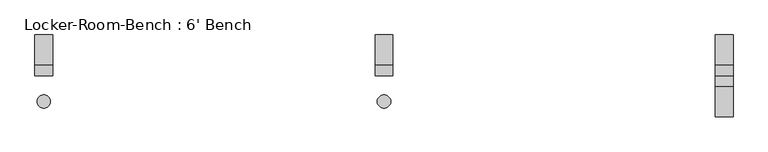
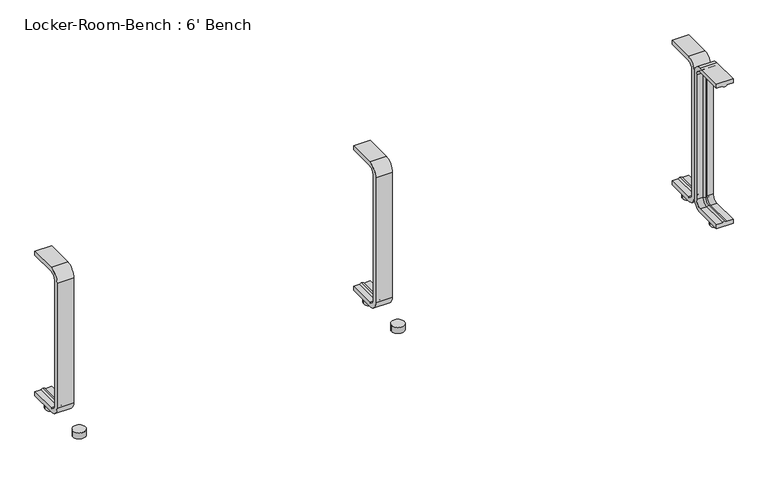
"""IFC4 building model written with IfcOpenShell, lengths in millimetres: furniture geometry, Locker-Room-Bench : 6' Bench."""

from ifc_helpers import new_model, si_unit, point, frame, frame_2d, origin, origin_with_axes, place, context, project, spatial, polyline, circle_curve, ellipse_curve, trimmed, segment, composite_curve, outline, extrude, source, transform, mapped, element, save
from ifc_brep_helpers import plane_surface, cylinder_surface, revolved_surface, advanced_brep


def locker_room_bench_6_bench_b71814ff(model_context):
    return source(origin(), model_context, "Body", "SolidModel", [
        extrude(outline(composite_curve([segment(trimmed(circle_curve(frame_2d((764.4, -57.5)), 15.0), [point((749.4, -57.5))], [point((779.4, -57.5))], False, "CARTESIAN"), True, "CONTINUOUS"), segment(trimmed(circle_curve(frame_2d((764.4, -57.5)), 15.0), [point((779.4, -57.5))], [point((749.4, -57.5))], False, "CARTESIAN"), True, "CONTINUOUS")], self_intersect=False)), origin_with_axes(), (0.0, 0.0, 1.0), 15.0),
        extrude(outline(composite_curve([segment(trimmed(circle_curve(frame_2d((764.4, 57.5)), 15.0), [point((749.4, 57.5))], [point((779.4, 57.5))], False, "CARTESIAN"), True, "CONTINUOUS"), segment(trimmed(circle_curve(frame_2d((764.4, 57.5)), 15.0), [point((779.4, 57.5))], [point((749.4, 57.5))], False, "CARTESIAN"), True, "CONTINUOUS")], self_intersect=False)), origin_with_axes(), (0.0, 0.0, 1.0), 15.0),
        extrude(outline(composite_curve([segment(trimmed(circle_curve(frame_2d((0.0, -57.5)), 15.0), [point((-15.0, -57.5))], [point((15.0, -57.5))], False, "CARTESIAN"), True, "CONTINUOUS"), segment(trimmed(circle_curve(frame_2d((0.0, -57.5)), 15.0), [point((15.0, -57.5))], [point((-15.0, -57.5))], False, "CARTESIAN"), True, "CONTINUOUS")], self_intersect=False)), origin_with_axes(), (0.0, 0.0, 1.0), 15.0),
        extrude(outline(composite_curve([segment(trimmed(circle_curve(frame_2d((0.0, 57.5)), 15.0), [point((-15.0, 57.5))], [point((15.0, 57.5))], False, "CARTESIAN"), True, "CONTINUOUS"), segment(trimmed(circle_curve(frame_2d((0.0, 57.5)), 15.0), [point((15.0, 57.5))], [point((-15.0, 57.5))], False, "CARTESIAN"), True, "CONTINUOUS")], self_intersect=False)), origin_with_axes(), (0.0, 0.0, 1.0), 15.0),
        extrude(outline(composite_curve([segment(trimmed(circle_curve(frame_2d((-764.4, -57.5)), 15.0), [point((-779.4, -57.5))], [point((-749.4, -57.5))], False, "CARTESIAN"), True, "CONTINUOUS"), segment(trimmed(circle_curve(frame_2d((-764.4, -57.5)), 15.0), [point((-749.4, -57.5))], [point((-779.4, -57.5))], False, "CARTESIAN"), True, "CONTINUOUS")], self_intersect=False)), origin_with_axes(), (0.0, 0.0, 1.0), 15.0),
        extrude(outline(composite_curve([segment(trimmed(circle_curve(frame_2d((-764.4, 57.5)), 15.0), [point((-779.4, 57.5))], [point((-749.4, 57.5))], False, "CARTESIAN"), True, "CONTINUOUS"), segment(trimmed(circle_curve(frame_2d((-764.4, 57.5)), 15.0), [point((-749.4, 57.5))], [point((-779.4, 57.5))], False, "CARTESIAN"), True, "CONTINUOUS")], self_intersect=False)), origin_with_axes(), (0.0, 0.0, 1.0), 15.0),
        advanced_brep(
        [(784.4, 92.0, 381.4), (784.4, 92.0, 371.4), (769.4, 92.0, 371.4), (764.4, 92.0, 369.0684617), (759.4, 92.0, 371.4), (744.4, 92.0, 371.4), (744.4, 92.0, 381.4), (784.4, 25.0, 381.4), (784.4, 0.0, 356.4), (784.4, 0.0, 40.0), (784.4, 25.0, 15.0), (784.4, 92.0, 15.0), (784.4, 92.0, 25.0), (784.4, 25.0, 25.0), (784.4, 10.0, 40.0), (784.4, 10.0, 356.4), (784.4, 25.0, 371.4), (769.4, 25.0, 371.4), (764.4, 25.0, 369.0684617), (759.4, 25.0, 371.4), (744.4, 25.0, 371.4), (744.4, 10.0, 356.4), (744.4, 10.0, 40.0), (744.4, 25.0, 25.0), (744.4, 92.0, 25.0), (744.4, 92.0, 15.0), (744.4, 25.0, 15.0), (744.4, 0.0, 40.0), (744.4, 0.0, 356.4), (744.4, 25.0, 381.4), (769.4, 10.0, 356.4), (764.4, 12.3315383, 356.4), (759.4, 10.0, 356.4), (769.4, 10.0, 40.0), (764.4, 12.3315383, 40.0), (759.4, 10.0, 40.0), (769.4, 25.0, 25.0), (764.4, 25.0, 27.3315383), (759.4, 25.0, 25.0), (759.4, 92.0, 25.0), (764.4, 92.0, 27.3315383), (769.4, 92.0, 25.0)],
        [
            (0, 1),
            (1, 2),
            (2, 3, circle_curve(frame((764.6996409, 92.0, 374.9529162), z_axis=(0.0, 1.0, 0.0), x_axis=(0.0, 0.0, -1.0)), 5.8920785)),
            (3, 4, circle_curve(frame((764.1003591, 92.0, 374.9529162), z_axis=(0.0, 1.0, 0.0), x_axis=(0.0, 0.0, -1.0)), 5.8920785)),
            (4, 5),
            (5, 6),
            (6, 0),
            (0, 7),
            (7, 8, circle_curve(frame((784.4, 25.0, 356.4), z_axis=(1.0, 0.0, 0.0), x_axis=(0.0, 0.0, 1.0)), 25.0)),
            (8, 9),
            (9, 10, circle_curve(frame((784.4, 25.0, 40.0), z_axis=(1.0, 0.0, 0.0), x_axis=(0.0, -1.0, 0.0)), 25.0)),
            (10, 11),
            (11, 12),
            (12, 13),
            (13, 14, circle_curve(frame((784.4, 25.0, 40.0), z_axis=(-1.0, 0.0, 0.0), x_axis=(0.0, -1.0, 0.0)), 15.0)),
            (14, 15),
            (15, 16, circle_curve(frame((784.4, 25.0, 356.4), z_axis=(-1.0, 0.0, 0.0), x_axis=(0.0, 0.0, 1.0)), 15.0)),
            (16, 1),
            (16, 17),
            (17, 2),
            (17, 18, circle_curve(frame((764.6996409, 25.0, 374.9529162), z_axis=(0.0, 1.0, 0.0), x_axis=(0.0, 0.0, -1.0)), 5.8920785)),
            (18, 3),
            (18, 19, circle_curve(frame((764.1003591, 25.0, 374.9529162), z_axis=(0.0, 1.0, 0.0), x_axis=(0.0, 0.0, -1.0)), 5.8920785)),
            (19, 4),
            (19, 20),
            (20, 5),
            (20, 21, circle_curve(frame((744.4, 25.0, 356.4), z_axis=(1.0, 0.0, 0.0), x_axis=(0.0, 0.0, 1.0)), 15.0)),
            (21, 22),
            (22, 23, circle_curve(frame((744.4, 25.0, 40.0), z_axis=(1.0, 0.0, 0.0), x_axis=(0.0, -1.0, 0.0)), 15.0)),
            (23, 24),
            (24, 25),
            (25, 26),
            (26, 27, circle_curve(frame((744.4, 25.0, 40.0), z_axis=(-1.0, 0.0, 0.0), x_axis=(0.0, -1.0, 0.0)), 25.0)),
            (27, 28),
            (28, 29, circle_curve(frame((744.4, 25.0, 356.4), z_axis=(-1.0, 0.0, 0.0), x_axis=(0.0, 0.0, 1.0)), 25.0)),
            (29, 6),
            (29, 7),
            (30, 17, circle_curve(frame((769.4, 25.0, 356.4), z_axis=(-1.0, 0.0, 0.0), x_axis=(0.0, 0.0, 1.0)), 15.0)),
            (15, 30),
            (31, 18, circle_curve(frame((764.4, 25.0, 356.4), z_axis=(-1.0, 0.0, 0.0), x_axis=(0.0, 0.0, 1.0)), 12.6684617)),
            (30, 31, circle_curve(frame((764.6996409, 6.4470838, 356.4), z_axis=(0.0, 0.0, 1.0), x_axis=(0.0, 1.0, 0.0)), 5.8920785)),
            (32, 19, circle_curve(frame((759.4, 25.0, 356.4), z_axis=(-1.0, 0.0, 0.0), x_axis=(0.0, 0.0, 1.0)), 15.0)),
            (31, 32, circle_curve(frame((764.1003591, 6.4470838, 356.4), z_axis=(0.0, 0.0, 1.0), x_axis=(0.0, 1.0, 0.0)), 5.8920785)),
            (32, 21),
            (28, 8),
            (14, 33),
            (33, 30),
            (33, 34, circle_curve(frame((764.6996409, 6.4470838, 40.0), z_axis=(0.0, 0.0, 1.0), x_axis=(0.0, 1.0, 0.0)), 5.8920785)),
            (34, 31),
            (34, 35, circle_curve(frame((764.1003591, 6.4470838, 40.0), z_axis=(0.0, 0.0, 1.0), x_axis=(0.0, 1.0, 0.0)), 5.8920785)),
            (35, 32),
            (35, 22),
            (27, 9),
            (36, 33, circle_curve(frame((769.4, 25.0, 40.0), z_axis=(-1.0, 0.0, 0.0), x_axis=(0.0, -1.0, 0.0)), 15.0)),
            (13, 36),
            (37, 34, circle_curve(frame((764.4, 25.0, 40.0), z_axis=(-1.0, 0.0, 0.0), x_axis=(0.0, -1.0, 0.0)), 12.6684617)),
            (36, 37, circle_curve(frame((764.6996409, 25.0, 21.4470838), z_axis=(0.0, -1.0, 0.0), x_axis=(0.0, 0.0, 1.0)), 5.8920785)),
            (38, 35, circle_curve(frame((759.4, 25.0, 40.0), z_axis=(-1.0, 0.0, 0.0), x_axis=(0.0, -1.0, 0.0)), 15.0)),
            (37, 38, circle_curve(frame((764.1003591, 25.0, 21.4470838), z_axis=(0.0, -1.0, 0.0), x_axis=(0.0, 0.0, 1.0)), 5.8920785)),
            (38, 23),
            (26, 10),
            (11, 25),
            (24, 39),
            (39, 40, circle_curve(frame((764.1003591, 92.0, 21.4470838), z_axis=(0.0, 1.0, 0.0), x_axis=(0.0, 0.0, 1.0)), 5.8920785)),
            (40, 41, circle_curve(frame((764.6996409, 92.0, 21.4470838), z_axis=(0.0, 1.0, 0.0), x_axis=(0.0, 0.0, 1.0)), 5.8920785)),
            (41, 12),
            (41, 36),
            (40, 37),
            (39, 38),
        ],
        [
            plane_surface(frame((764.4, 92.0, 381.4), z_axis=(0.0, 1.0, 0.0), x_axis=(1.0, 0.0, 0.0))),
            plane_surface(frame((784.4, 92.0, 381.4), z_axis=(1.0, 0.0, 0.0), x_axis=(0.0, -1.0, 0.0))),
            plane_surface(frame((784.4, 92.0, 371.4), z_axis=(0.0, 0.0, -1.0), x_axis=(0.0, -1.0, 0.0))),
            cylinder_surface(frame((764.6996409, 92.0, 374.9529162), z_axis=(0.0, 1.0, 0.0), x_axis=(0.0, 0.0, -1.0)), 5.8920785),
            cylinder_surface(frame((764.1003591, 92.0, 374.9529162), z_axis=(0.0, 1.0, 0.0), x_axis=(0.0, 0.0, -1.0)), 5.8920785),
            plane_surface(frame((759.4, 92.0, 371.4), z_axis=(0.0, 0.0, -1.0), x_axis=(0.0, -1.0, 0.0))),
            plane_surface(frame((744.4, 92.0, 371.4), z_axis=(-1.0, 0.0, 0.0), x_axis=(0.0, -1.0, 0.0))),
            plane_surface(frame((744.4, 92.0, 381.4), z_axis=(0.0, 0.0, 1.0), x_axis=(0.0, -1.0, 0.0))),
            revolved_surface(polyline([(784.4, 25.0, 371.4), (769.4, 25.0, 371.4)]), (764.4, 25.0, 356.4), (1.0, 0.0, 0.0)),
            revolved_surface(trimmed(ellipse_curve(frame((764.6996409, 25.0, 374.9529162), z_axis=(0.0, 1.0, 0.0), x_axis=(0.0, 0.0, -1.0)), 5.8920785, 5.8920785), [point((769.4, 25.0, 371.4))], [point((764.4, 25.0, 369.0684617))], True, "CARTESIAN"), (764.4, 25.0, 356.4), (1.0, 0.0, 0.0)),
            revolved_surface(trimmed(ellipse_curve(frame((764.1003591, 25.0, 374.9529162), z_axis=(0.0, 1.0, 0.0), x_axis=(0.0, 0.0, -1.0)), 5.8920785, 5.8920785), [point((764.4, 25.0, 369.0684617))], [point((759.4, 25.0, 371.4))], True, "CARTESIAN"), (764.4, 25.0, 356.4), (1.0, 0.0, 0.0)),
            revolved_surface(polyline([(759.4, 25.0, 371.4), (744.4, 25.0, 371.4)]), (764.4, 25.0, 356.4), (1.0, 0.0, 0.0)),
            cylinder_surface(frame((764.4, 25.0, 356.4), z_axis=(1.0, 0.0, 0.0), x_axis=(0.0, 0.0, 1.0)), 25.0),
            plane_surface(frame((784.4, 10.0, 356.4), z_axis=(0.0, 1.0, 0.0), x_axis=(0.0, 0.0, -1.0))),
            cylinder_surface(frame((764.6996409, 6.4470838, 356.4), z_axis=(0.0, 0.0, 1.0), x_axis=(0.0, 1.0, 0.0)), 5.8920785),
            cylinder_surface(frame((764.1003591, 6.4470838, 356.4), z_axis=(0.0, 0.0, 1.0), x_axis=(0.0, 1.0, 0.0)), 5.8920785),
            plane_surface(frame((759.4, 10.0, 356.4), z_axis=(0.0, 1.0, 0.0), x_axis=(0.0, 0.0, -1.0))),
            plane_surface(frame((744.4, 0.0, 356.4), z_axis=(0.0, -1.0, 0.0), x_axis=(0.0, 0.0, -1.0))),
            revolved_surface(polyline([(784.4, 10.0, 40.0), (769.4, 10.0, 40.0)]), (764.4, 25.0, 40.0), (1.0, 0.0, 0.0)),
            revolved_surface(trimmed(ellipse_curve(frame((764.6996409, 6.4470838, 40.0), z_axis=(0.0, 0.0, 1.0), x_axis=(0.0, 1.0, 0.0)), 5.8920785, 5.8920785), [point((769.4, 10.0, 40.0))], [point((764.4, 12.3315383, 40.0))], True, "CARTESIAN"), (764.4, 25.0, 40.0), (1.0, 0.0, 0.0)),
            revolved_surface(trimmed(ellipse_curve(frame((764.1003591, 6.4470838, 40.0), z_axis=(0.0, 0.0, 1.0), x_axis=(0.0, 1.0, 0.0)), 5.8920785, 5.8920785), [point((764.4, 12.3315383, 40.0))], [point((759.4, 10.0, 40.0))], True, "CARTESIAN"), (764.4, 25.0, 40.0), (1.0, 0.0, 0.0)),
            revolved_surface(polyline([(759.4, 10.0, 40.0), (744.4, 10.0, 40.0)]), (764.4, 25.0, 40.0), (1.0, 0.0, 0.0)),
            cylinder_surface(frame((764.4, 25.0, 40.0), z_axis=(1.0, 0.0, 0.0), x_axis=(0.0, -1.0, 0.0)), 25.0),
            plane_surface(frame((764.4, 92.0, 15.0), z_axis=(0.0, 1.0, 0.0), x_axis=(1.0, 0.0, 0.0))),
            plane_surface(frame((784.4, 25.0, 25.0), z_axis=(0.0, 0.0, 1.0), x_axis=(0.0, 1.0, 0.0))),
            cylinder_surface(frame((764.6996409, 25.0, 21.4470838), z_axis=(0.0, -1.0, 0.0), x_axis=(0.0, 0.0, 1.0)), 5.8920785),
            cylinder_surface(frame((764.1003591, 25.0, 21.4470838), z_axis=(0.0, -1.0, 0.0), x_axis=(0.0, 0.0, 1.0)), 5.8920785),
            plane_surface(frame((759.4, 25.0, 25.0), z_axis=(0.0, 0.0, 1.0), x_axis=(0.0, 1.0, 0.0))),
            plane_surface(frame((744.4, 25.0, 15.0), z_axis=(0.0, 0.0, -1.0), x_axis=(0.0, 1.0, 0.0))),
        ],
        [
            (0, [[1, 2, 3, 4, 5, 6, 7]]),
            (1, [[-1, 8, 9, 10, 11, 12, 13, 14, 15, 16, 17, 18]]),
            (2, [[-2, -18, 19, 20]]),
            (3, [[-3, -20, 21, 22]]),
            (4, [[-4, -22, 23, 24]]),
            (5, [[-5, -24, 25, 26]]),
            (6, [[-6, -26, 27, 28, 29, 30, 31, 32, 33, 34, 35, 36]]),
            (7, [[-7, -36, 37, -8]]),
            (8, [[38, -19, -17, 39]]),
            (9, [[40, -21, -38, 41]]),
            (10, [[42, -23, -40, 43]]),
            (11, [[-27, -25, -42, 44]]),
            (12, [[-9, -37, -35, 45]]),
            (13, [[-39, -16, 46, 47]]),
            (14, [[-41, -47, 48, 49]]),
            (15, [[-43, -49, 50, 51]]),
            (16, [[-44, -51, 52, -28]]),
            (17, [[-45, -34, 53, -10]]),
            (18, [[54, -46, -15, 55]]),
            (19, [[56, -48, -54, 57]]),
            (20, [[58, -50, -56, 59]]),
            (21, [[-29, -52, -58, 60]]),
            (22, [[-11, -53, -33, 61]]),
            (23, [[62, -31, 63, 64, 65, 66, -13]]),
            (24, [[-55, -14, -66, 67]]),
            (25, [[-57, -67, -65, 68]]),
            (26, [[-59, -68, -64, 69]]),
            (27, [[-60, -69, -63, -30]]),
            (28, [[-61, -32, -62, -12]]),
        ],
    ),
        advanced_brep(
        [(20.0, 92.0, 381.4), (20.0, 92.0, 371.4), (5.0, 92.0, 371.4), (0.0, 92.0, 369.0684617), (-5.0, 92.0, 371.4), (-20.0, 92.0, 371.4), (-20.0, 92.0, 381.4), (20.0, 25.0, 381.4), (20.0, 0.0, 356.4), (20.0, 0.0, 40.0), (20.0, 25.0, 15.0), (20.0, 92.0, 15.0), (20.0, 92.0, 25.0), (20.0, 25.0, 25.0), (20.0, 10.0, 40.0), (20.0, 10.0, 356.4), (20.0, 25.0, 371.4), (5.0, 25.0, 371.4), (0.0, 25.0, 369.0684617), (-5.0, 25.0, 371.4), (-20.0, 25.0, 371.4), (-20.0, 10.0, 356.4), (-20.0, 10.0, 40.0), (-20.0, 25.0, 25.0), (-20.0, 92.0, 25.0), (-20.0, 92.0, 15.0), (-20.0, 25.0, 15.0), (-20.0, 0.0, 40.0), (-20.0, 0.0, 356.4), (-20.0, 25.0, 381.4), (5.0, 10.0, 356.4), (0.0, 12.3315383, 356.4), (-5.0, 10.0, 356.4), (5.0, 10.0, 40.0), (0.0, 12.3315383, 40.0), (-5.0, 10.0, 40.0), (5.0, 25.0, 25.0), (0.0, 25.0, 27.3315383), (-5.0, 25.0, 25.0), (-5.0, 92.0, 25.0), (0.0, 92.0, 27.3315383), (5.0, 92.0, 25.0)],
        [
            (0, 1),
            (1, 2),
            (2, 3, circle_curve(frame((0.2996409, 92.0, 374.9529162), z_axis=(0.0, 1.0, 0.0), x_axis=(0.0, 0.0, -1.0)), 5.8920785)),
            (3, 4, circle_curve(frame((-0.2996409, 92.0, 374.9529162), z_axis=(0.0, 1.0, 0.0), x_axis=(0.0, 0.0, -1.0)), 5.8920785)),
            (4, 5),
            (5, 6),
            (6, 0),
            (0, 7),
            (7, 8, circle_curve(frame((20.0, 25.0, 356.4), z_axis=(1.0, 0.0, 0.0), x_axis=(0.0, 0.0, 1.0)), 25.0)),
            (8, 9),
            (9, 10, circle_curve(frame((20.0, 25.0, 40.0), z_axis=(1.0, 0.0, 0.0), x_axis=(0.0, -1.0, 0.0)), 25.0)),
            (10, 11),
            (11, 12),
            (12, 13),
            (13, 14, circle_curve(frame((20.0, 25.0, 40.0), z_axis=(-1.0, 0.0, 0.0), x_axis=(0.0, -1.0, 0.0)), 15.0)),
            (14, 15),
            (15, 16, circle_curve(frame((20.0, 25.0, 356.4), z_axis=(-1.0, 0.0, 0.0), x_axis=(0.0, 0.0, 1.0)), 15.0)),
            (16, 1),
            (16, 17),
            (17, 2),
            (17, 18, circle_curve(frame((0.2996409, 25.0, 374.9529162), z_axis=(0.0, 1.0, 0.0), x_axis=(0.0, 0.0, -1.0)), 5.8920785)),
            (18, 3),
            (18, 19, circle_curve(frame((-0.2996409, 25.0, 374.9529162), z_axis=(0.0, 1.0, 0.0), x_axis=(0.0, 0.0, -1.0)), 5.8920785)),
            (19, 4),
            (19, 20),
            (20, 5),
            (20, 21, circle_curve(frame((-20.0, 25.0, 356.4), z_axis=(1.0, 0.0, 0.0), x_axis=(0.0, 0.0, 1.0)), 15.0)),
            (21, 22),
            (22, 23, circle_curve(frame((-20.0, 25.0, 40.0), z_axis=(1.0, 0.0, 0.0), x_axis=(0.0, -1.0, 0.0)), 15.0)),
            (23, 24),
            (24, 25),
            (25, 26),
            (26, 27, circle_curve(frame((-20.0, 25.0, 40.0), z_axis=(-1.0, 0.0, 0.0), x_axis=(0.0, -1.0, 0.0)), 25.0)),
            (27, 28),
            (28, 29, circle_curve(frame((-20.0, 25.0, 356.4), z_axis=(-1.0, 0.0, 0.0), x_axis=(0.0, 0.0, 1.0)), 25.0)),
            (29, 6),
            (29, 7),
            (30, 17, circle_curve(frame((5.0, 25.0, 356.4), z_axis=(-1.0, 0.0, 0.0), x_axis=(0.0, 0.0, 1.0)), 15.0)),
            (15, 30),
            (31, 18, circle_curve(frame((0.0, 25.0, 356.4), z_axis=(-1.0, 0.0, 0.0), x_axis=(0.0, 0.0, 1.0)), 12.6684617)),
            (30, 31, circle_curve(frame((0.2996409, 6.4470838, 356.4), z_axis=(0.0, 0.0, 1.0), x_axis=(0.0, 1.0, 0.0)), 5.8920785)),
            (32, 19, circle_curve(frame((-5.0, 25.0, 356.4), z_axis=(-1.0, 0.0, 0.0), x_axis=(0.0, 0.0, 1.0)), 15.0)),
            (31, 32, circle_curve(frame((-0.2996409, 6.4470838, 356.4), z_axis=(0.0, 0.0, 1.0), x_axis=(0.0, 1.0, 0.0)), 5.8920785)),
            (32, 21),
            (28, 8),
            (14, 33),
            (33, 30),
            (33, 34, circle_curve(frame((0.2996409, 6.4470838, 40.0), z_axis=(0.0, 0.0, 1.0), x_axis=(0.0, 1.0, 0.0)), 5.8920785)),
            (34, 31),
            (34, 35, circle_curve(frame((-0.2996409, 6.4470838, 40.0), z_axis=(0.0, 0.0, 1.0), x_axis=(0.0, 1.0, 0.0)), 5.8920785)),
            (35, 32),
            (35, 22),
            (27, 9),
            (36, 33, circle_curve(frame((5.0, 25.0, 40.0), z_axis=(-1.0, 0.0, 0.0), x_axis=(0.0, -1.0, 0.0)), 15.0)),
            (13, 36),
            (37, 34, circle_curve(frame((0.0, 25.0, 40.0), z_axis=(-1.0, 0.0, 0.0), x_axis=(0.0, -1.0, 0.0)), 12.6684617)),
            (36, 37, circle_curve(frame((0.2996409, 25.0, 21.4470838), z_axis=(0.0, -1.0, 0.0), x_axis=(0.0, 0.0, 1.0)), 5.8920785)),
            (38, 35, circle_curve(frame((-5.0, 25.0, 40.0), z_axis=(-1.0, 0.0, 0.0), x_axis=(0.0, -1.0, 0.0)), 15.0)),
            (37, 38, circle_curve(frame((-0.2996409, 25.0, 21.4470838), z_axis=(0.0, -1.0, 0.0), x_axis=(0.0, 0.0, 1.0)), 5.8920785)),
            (38, 23),
            (26, 10),
            (11, 25),
            (24, 39),
            (39, 40, circle_curve(frame((-0.2996409, 92.0, 21.4470838), z_axis=(0.0, 1.0, 0.0), x_axis=(0.0, 0.0, 1.0)), 5.8920785)),
            (40, 41, circle_curve(frame((0.2996409, 92.0, 21.4470838), z_axis=(0.0, 1.0, 0.0), x_axis=(0.0, 0.0, 1.0)), 5.8920785)),
            (41, 12),
            (41, 36),
            (40, 37),
            (39, 38),
        ],
        [
            plane_surface(frame((0.0, 92.0, 381.4), z_axis=(0.0, 1.0, 0.0), x_axis=(1.0, 0.0, 0.0))),
            plane_surface(frame((20.0, 92.0, 381.4), z_axis=(1.0, 0.0, 0.0), x_axis=(0.0, -1.0, 0.0))),
            plane_surface(frame((20.0, 92.0, 371.4), z_axis=(0.0, 0.0, -1.0), x_axis=(0.0, -1.0, 0.0))),
            cylinder_surface(frame((0.2996409, 92.0, 374.9529162), z_axis=(0.0, 1.0, 0.0), x_axis=(0.0, 0.0, -1.0)), 5.8920785),
            cylinder_surface(frame((-0.2996409, 92.0, 374.9529162), z_axis=(0.0, 1.0, 0.0), x_axis=(0.0, 0.0, -1.0)), 5.8920785),
            plane_surface(frame((-5.0, 92.0, 371.4), z_axis=(0.0, 0.0, -1.0), x_axis=(0.0, -1.0, 0.0))),
            plane_surface(frame((-20.0, 92.0, 371.4), z_axis=(-1.0, 0.0, 0.0), x_axis=(0.0, -1.0, 0.0))),
            plane_surface(frame((-20.0, 92.0, 381.4), z_axis=(0.0, 0.0, 1.0), x_axis=(0.0, -1.0, 0.0))),
            revolved_surface(polyline([(20.0, 25.0, 371.4), (5.0, 25.0, 371.4)]), (0.0, 25.0, 356.4), (1.0, 0.0, 0.0)),
            revolved_surface(trimmed(ellipse_curve(frame((0.2996409, 25.0, 374.9529162), z_axis=(0.0, 1.0, 0.0), x_axis=(0.0, 0.0, -1.0)), 5.8920785, 5.8920785), [point((5.0, 25.0, 371.4))], [point((0.0, 25.0, 369.0684617))], True, "CARTESIAN"), (0.0, 25.0, 356.4), (1.0, 0.0, 0.0)),
            revolved_surface(trimmed(ellipse_curve(frame((-0.2996409, 25.0, 374.9529162), z_axis=(0.0, 1.0, 0.0), x_axis=(0.0, 0.0, -1.0)), 5.8920785, 5.8920785), [point((0.0, 25.0, 369.0684617))], [point((-5.0, 25.0, 371.4))], True, "CARTESIAN"), (0.0, 25.0, 356.4), (1.0, 0.0, 0.0)),
            revolved_surface(polyline([(-5.0, 25.0, 371.4), (-20.0, 25.0, 371.4)]), (0.0, 25.0, 356.4), (1.0, 0.0, 0.0)),
            cylinder_surface(frame((0.0, 25.0, 356.4), z_axis=(1.0, 0.0, 0.0), x_axis=(0.0, 0.0, 1.0)), 25.0),
            plane_surface(frame((20.0, 10.0, 356.4), z_axis=(0.0, 1.0, 0.0), x_axis=(0.0, 0.0, -1.0))),
            cylinder_surface(frame((0.2996409, 6.4470838, 356.4), z_axis=(0.0, 0.0, 1.0), x_axis=(0.0, 1.0, 0.0)), 5.8920785),
            cylinder_surface(frame((-0.2996409, 6.4470838, 356.4), z_axis=(0.0, 0.0, 1.0), x_axis=(0.0, 1.0, 0.0)), 5.8920785),
            plane_surface(frame((-5.0, 10.0, 356.4), z_axis=(0.0, 1.0, 0.0), x_axis=(0.0, 0.0, -1.0))),
            plane_surface(frame((-20.0, 0.0, 356.4), z_axis=(0.0, -1.0, 0.0), x_axis=(0.0, 0.0, -1.0))),
            revolved_surface(polyline([(20.0, 10.0, 40.0), (5.0, 10.0, 40.0)]), (0.0, 25.0, 40.0), (1.0, 0.0, 0.0)),
            revolved_surface(trimmed(ellipse_curve(frame((0.2996409, 6.4470838, 40.0), z_axis=(0.0, 0.0, 1.0), x_axis=(0.0, 1.0, 0.0)), 5.8920785, 5.8920785), [point((5.0, 10.0, 40.0))], [point((0.0, 12.3315383, 40.0))], True, "CARTESIAN"), (0.0, 25.0, 40.0), (1.0, 0.0, 0.0)),
            revolved_surface(trimmed(ellipse_curve(frame((-0.2996409, 6.4470838, 40.0), z_axis=(0.0, 0.0, 1.0), x_axis=(0.0, 1.0, 0.0)), 5.8920785, 5.8920785), [point((0.0, 12.3315383, 40.0))], [point((-5.0, 10.0, 40.0))], True, "CARTESIAN"), (0.0, 25.0, 40.0), (1.0, 0.0, 0.0)),
            revolved_surface(polyline([(-5.0, 10.0, 40.0), (-20.0, 10.0, 40.0)]), (0.0, 25.0, 40.0), (1.0, 0.0, 0.0)),
            cylinder_surface(frame((0.0, 25.0, 40.0), z_axis=(1.0, 0.0, 0.0), x_axis=(0.0, -1.0, 0.0)), 25.0),
            plane_surface(frame((0.0, 92.0, 15.0), z_axis=(0.0, 1.0, 0.0), x_axis=(1.0, 0.0, 0.0))),
            plane_surface(frame((20.0, 25.0, 25.0), z_axis=(0.0, 0.0, 1.0), x_axis=(0.0, 1.0, 0.0))),
            cylinder_surface(frame((0.2996409, 25.0, 21.4470838), z_axis=(0.0, -1.0, 0.0), x_axis=(0.0, 0.0, 1.0)), 5.8920785),
            cylinder_surface(frame((-0.2996409, 25.0, 21.4470838), z_axis=(0.0, -1.0, 0.0), x_axis=(0.0, 0.0, 1.0)), 5.8920785),
            plane_surface(frame((-5.0, 25.0, 25.0), z_axis=(0.0, 0.0, 1.0), x_axis=(0.0, 1.0, 0.0))),
            plane_surface(frame((-20.0, 25.0, 15.0), z_axis=(0.0, 0.0, -1.0), x_axis=(0.0, 1.0, 0.0))),
        ],
        [
            (0, [[1, 2, 3, 4, 5, 6, 7]]),
            (1, [[-1, 8, 9, 10, 11, 12, 13, 14, 15, 16, 17, 18]]),
            (2, [[-2, -18, 19, 20]]),
            (3, [[-3, -20, 21, 22]]),
            (4, [[-4, -22, 23, 24]]),
            (5, [[-5, -24, 25, 26]]),
            (6, [[-6, -26, 27, 28, 29, 30, 31, 32, 33, 34, 35, 36]]),
            (7, [[-7, -36, 37, -8]]),
            (8, [[38, -19, -17, 39]]),
            (9, [[40, -21, -38, 41]]),
            (10, [[42, -23, -40, 43]]),
            (11, [[-27, -25, -42, 44]]),
            (12, [[-9, -37, -35, 45]]),
            (13, [[-39, -16, 46, 47]]),
            (14, [[-41, -47, 48, 49]]),
            (15, [[-43, -49, 50, 51]]),
            (16, [[-44, -51, 52, -28]]),
            (17, [[-45, -34, 53, -10]]),
            (18, [[54, -46, -15, 55]]),
            (19, [[56, -48, -54, 57]]),
            (20, [[58, -50, -56, 59]]),
            (21, [[-29, -52, -58, 60]]),
            (22, [[-11, -53, -33, 61]]),
            (23, [[62, -31, 63, 64, 65, 66, -13]]),
            (24, [[-55, -14, -66, 67]]),
            (25, [[-57, -67, -65, 68]]),
            (26, [[-59, -68, -64, 69]]),
            (27, [[-60, -69, -63, -30]]),
            (28, [[-61, -32, -62, -12]]),
        ],
    ),
        advanced_brep(
        [(-744.4, 92.0, 381.4), (-744.4, 92.0, 371.4), (-759.4, 92.0, 371.4), (-764.4, 92.0, 369.0684617), (-769.4, 92.0, 371.4), (-784.4, 92.0, 371.4), (-784.4, 92.0, 381.4), (-744.4, 25.0, 381.4), (-744.4, 0.0, 356.4), (-744.4, 0.0, 40.0), (-744.4, 25.0, 15.0), (-744.4, 92.0, 15.0), (-744.4, 92.0, 25.0), (-744.4, 25.0, 25.0), (-744.4, 10.0, 40.0), (-744.4, 10.0, 356.4), (-744.4, 25.0, 371.4), (-759.4, 25.0, 371.4), (-764.4, 25.0, 369.0684617), (-769.4, 25.0, 371.4), (-784.4, 25.0, 371.4), (-784.4, 10.0, 356.4), (-784.4, 10.0, 40.0), (-784.4, 25.0, 25.0), (-784.4, 92.0, 25.0), (-784.4, 92.0, 15.0), (-784.4, 25.0, 15.0), (-784.4, 0.0, 40.0), (-784.4, 0.0, 356.4), (-784.4, 25.0, 381.4), (-759.4, 10.0, 356.4), (-764.4, 12.3315383, 356.4), (-769.4, 10.0, 356.4), (-759.4, 10.0, 40.0), (-764.4, 12.3315383, 40.0), (-769.4, 10.0, 40.0), (-759.4, 25.0, 25.0), (-764.4, 25.0, 27.3315383), (-769.4, 25.0, 25.0), (-769.4, 92.0, 25.0), (-764.4, 92.0, 27.3315383), (-759.4, 92.0, 25.0)],
        [
            (0, 1),
            (1, 2),
            (2, 3, circle_curve(frame((-764.1003591, 92.0, 374.9529162), z_axis=(0.0, 1.0, 0.0), x_axis=(0.0, 0.0, -1.0)), 5.8920785)),
            (3, 4, circle_curve(frame((-764.6996409, 92.0, 374.9529162), z_axis=(0.0, 1.0, 0.0), x_axis=(0.0, 0.0, -1.0)), 5.8920785)),
            (4, 5),
            (5, 6),
            (6, 0),
            (0, 7),
            (7, 8, circle_curve(frame((-744.4, 25.0, 356.4), z_axis=(1.0, 0.0, 0.0), x_axis=(0.0, 0.0, 1.0)), 25.0)),
            (8, 9),
            (9, 10, circle_curve(frame((-744.4, 25.0, 40.0), z_axis=(1.0, 0.0, 0.0), x_axis=(0.0, -1.0, 0.0)), 25.0)),
            (10, 11),
            (11, 12),
            (12, 13),
            (13, 14, circle_curve(frame((-744.4, 25.0, 40.0), z_axis=(-1.0, 0.0, 0.0), x_axis=(0.0, -1.0, 0.0)), 15.0)),
            (14, 15),
            (15, 16, circle_curve(frame((-744.4, 25.0, 356.4), z_axis=(-1.0, 0.0, 0.0), x_axis=(0.0, 0.0, 1.0)), 15.0)),
            (16, 1),
            (16, 17),
            (17, 2),
            (17, 18, circle_curve(frame((-764.1003591, 25.0, 374.9529162), z_axis=(0.0, 1.0, 0.0), x_axis=(0.0, 0.0, -1.0)), 5.8920785)),
            (18, 3),
            (18, 19, circle_curve(frame((-764.6996409, 25.0, 374.9529162), z_axis=(0.0, 1.0, 0.0), x_axis=(0.0, 0.0, -1.0)), 5.8920785)),
            (19, 4),
            (19, 20),
            (20, 5),
            (20, 21, circle_curve(frame((-784.4, 25.0, 356.4), z_axis=(1.0, 0.0, 0.0), x_axis=(0.0, 0.0, 1.0)), 15.0)),
            (21, 22),
            (22, 23, circle_curve(frame((-784.4, 25.0, 40.0), z_axis=(1.0, 0.0, 0.0), x_axis=(0.0, -1.0, 0.0)), 15.0)),
            (23, 24),
            (24, 25),
            (25, 26),
            (26, 27, circle_curve(frame((-784.4, 25.0, 40.0), z_axis=(-1.0, 0.0, 0.0), x_axis=(0.0, -1.0, 0.0)), 25.0)),
            (27, 28),
            (28, 29, circle_curve(frame((-784.4, 25.0, 356.4), z_axis=(-1.0, 0.0, 0.0), x_axis=(0.0, 0.0, 1.0)), 25.0)),
            (29, 6),
            (29, 7),
            (30, 17, circle_curve(frame((-759.4, 25.0, 356.4), z_axis=(-1.0, 0.0, 0.0), x_axis=(0.0, 0.0, 1.0)), 15.0)),
            (15, 30),
            (31, 18, circle_curve(frame((-764.4, 25.0, 356.4), z_axis=(-1.0, 0.0, 0.0), x_axis=(0.0, 0.0, 1.0)), 12.6684617)),
            (30, 31, circle_curve(frame((-764.1003591, 6.4470838, 356.4), z_axis=(0.0, 0.0, 1.0), x_axis=(0.0, 1.0, 0.0)), 5.8920785)),
            (32, 19, circle_curve(frame((-769.4, 25.0, 356.4), z_axis=(-1.0, 0.0, 0.0), x_axis=(0.0, 0.0, 1.0)), 15.0)),
            (31, 32, circle_curve(frame((-764.6996409, 6.4470838, 356.4), z_axis=(0.0, 0.0, 1.0), x_axis=(0.0, 1.0, 0.0)), 5.8920785)),
            (32, 21),
            (28, 8),
            (14, 33),
            (33, 30),
            (33, 34, circle_curve(frame((-764.1003591, 6.4470838, 40.0), z_axis=(0.0, 0.0, 1.0), x_axis=(0.0, 1.0, 0.0)), 5.8920785)),
            (34, 31),
            (34, 35, circle_curve(frame((-764.6996409, 6.4470838, 40.0), z_axis=(0.0, 0.0, 1.0), x_axis=(0.0, 1.0, 0.0)), 5.8920785)),
            (35, 32),
            (35, 22),
            (27, 9),
            (36, 33, circle_curve(frame((-759.4, 25.0, 40.0), z_axis=(-1.0, 0.0, 0.0), x_axis=(0.0, -1.0, 0.0)), 15.0)),
            (13, 36),
            (37, 34, circle_curve(frame((-764.4, 25.0, 40.0), z_axis=(-1.0, 0.0, 0.0), x_axis=(0.0, -1.0, 0.0)), 12.6684617)),
            (36, 37, circle_curve(frame((-764.1003591, 25.0, 21.4470838), z_axis=(0.0, -1.0, 0.0), x_axis=(0.0, 0.0, 1.0)), 5.8920785)),
            (38, 35, circle_curve(frame((-769.4, 25.0, 40.0), z_axis=(-1.0, 0.0, 0.0), x_axis=(0.0, -1.0, 0.0)), 15.0)),
            (37, 38, circle_curve(frame((-764.6996409, 25.0, 21.4470838), z_axis=(0.0, -1.0, 0.0), x_axis=(0.0, 0.0, 1.0)), 5.8920785)),
            (38, 23),
            (26, 10),
            (11, 25),
            (24, 39),
            (39, 40, circle_curve(frame((-764.6996409, 92.0, 21.4470838), z_axis=(0.0, 1.0, 0.0), x_axis=(0.0, 0.0, 1.0)), 5.8920785)),
            (40, 41, circle_curve(frame((-764.1003591, 92.0, 21.4470838), z_axis=(0.0, 1.0, 0.0), x_axis=(0.0, 0.0, 1.0)), 5.8920785)),
            (41, 12),
            (41, 36),
            (40, 37),
            (39, 38),
        ],
        [
            plane_surface(frame((-764.4, 92.0, 381.4), z_axis=(0.0, 1.0, 0.0), x_axis=(1.0, 0.0, 0.0))),
            plane_surface(frame((-744.4, 92.0, 381.4), z_axis=(1.0, 0.0, 0.0), x_axis=(0.0, -1.0, 0.0))),
            plane_surface(frame((-744.4, 92.0, 371.4), z_axis=(0.0, 0.0, -1.0), x_axis=(0.0, -1.0, 0.0))),
            cylinder_surface(frame((-764.1003591, 92.0, 374.9529162), z_axis=(0.0, 1.0, 0.0), x_axis=(0.0, 0.0, -1.0)), 5.8920785),
            cylinder_surface(frame((-764.6996409, 92.0, 374.9529162), z_axis=(0.0, 1.0, 0.0), x_axis=(0.0, 0.0, -1.0)), 5.8920785),
            plane_surface(frame((-769.4, 92.0, 371.4), z_axis=(0.0, 0.0, -1.0), x_axis=(0.0, -1.0, 0.0))),
            plane_surface(frame((-784.4, 92.0, 371.4), z_axis=(-1.0, 0.0, 0.0), x_axis=(0.0, -1.0, 0.0))),
            plane_surface(frame((-784.4, 92.0, 381.4), z_axis=(0.0, 0.0, 1.0), x_axis=(0.0, -1.0, 0.0))),
            revolved_surface(polyline([(-744.4, 25.0, 371.4), (-759.4, 25.0, 371.4)]), (-764.4, 25.0, 356.4), (1.0, 0.0, 0.0)),
            revolved_surface(trimmed(ellipse_curve(frame((-764.1003591, 25.0, 374.9529162), z_axis=(0.0, 1.0, 0.0), x_axis=(0.0, 0.0, -1.0)), 5.8920785, 5.8920785), [point((-759.4, 25.0, 371.4))], [point((-764.4, 25.0, 369.0684617))], True, "CARTESIAN"), (-764.4, 25.0, 356.4), (1.0, 0.0, 0.0)),
            revolved_surface(trimmed(ellipse_curve(frame((-764.6996409, 25.0, 374.9529162), z_axis=(0.0, 1.0, 0.0), x_axis=(0.0, 0.0, -1.0)), 5.8920785, 5.8920785), [point((-764.4, 25.0, 369.0684617))], [point((-769.4, 25.0, 371.4))], True, "CARTESIAN"), (-764.4, 25.0, 356.4), (1.0, 0.0, 0.0)),
            revolved_surface(polyline([(-769.4, 25.0, 371.4), (-784.4, 25.0, 371.4)]), (-764.4, 25.0, 356.4), (1.0, 0.0, 0.0)),
            cylinder_surface(frame((-764.4, 25.0, 356.4), z_axis=(1.0, 0.0, 0.0), x_axis=(0.0, 0.0, 1.0)), 25.0),
            plane_surface(frame((-744.4, 10.0, 356.4), z_axis=(0.0, 1.0, 0.0), x_axis=(0.0, 0.0, -1.0))),
            cylinder_surface(frame((-764.1003591, 6.4470838, 356.4), z_axis=(0.0, 0.0, 1.0), x_axis=(0.0, 1.0, 0.0)), 5.8920785),
            cylinder_surface(frame((-764.6996409, 6.4470838, 356.4), z_axis=(0.0, 0.0, 1.0), x_axis=(0.0, 1.0, 0.0)), 5.8920785),
            plane_surface(frame((-769.4, 10.0, 356.4), z_axis=(0.0, 1.0, 0.0), x_axis=(0.0, 0.0, -1.0))),
            plane_surface(frame((-784.4, 0.0, 356.4), z_axis=(0.0, -1.0, 0.0), x_axis=(0.0, 0.0, -1.0))),
            revolved_surface(polyline([(-744.4, 10.0, 40.0), (-759.4, 10.0, 40.0)]), (-764.4, 25.0, 40.0), (1.0, 0.0, 0.0)),
            revolved_surface(trimmed(ellipse_curve(frame((-764.1003591, 6.4470838, 40.0), z_axis=(0.0, 0.0, 1.0), x_axis=(0.0, 1.0, 0.0)), 5.8920785, 5.8920785), [point((-759.4, 10.0, 40.0))], [point((-764.4, 12.3315383, 40.0))], True, "CARTESIAN"), (-764.4, 25.0, 40.0), (1.0, 0.0, 0.0)),
            revolved_surface(trimmed(ellipse_curve(frame((-764.6996409, 6.4470838, 40.0), z_axis=(0.0, 0.0, 1.0), x_axis=(0.0, 1.0, 0.0)), 5.8920785, 5.8920785), [point((-764.4, 12.3315383, 40.0))], [point((-769.4, 10.0, 40.0))], True, "CARTESIAN"), (-764.4, 25.0, 40.0), (1.0, 0.0, 0.0)),
            revolved_surface(polyline([(-769.4, 10.0, 40.0), (-784.4, 10.0, 40.0)]), (-764.4, 25.0, 40.0), (1.0, 0.0, 0.0)),
            cylinder_surface(frame((-764.4, 25.0, 40.0), z_axis=(1.0, 0.0, 0.0), x_axis=(0.0, -1.0, 0.0)), 25.0),
            plane_surface(frame((-764.4, 92.0, 15.0), z_axis=(0.0, 1.0, 0.0), x_axis=(1.0, 0.0, 0.0))),
            plane_surface(frame((-744.4, 25.0, 25.0), z_axis=(0.0, 0.0, 1.0), x_axis=(0.0, 1.0, 0.0))),
            cylinder_surface(frame((-764.1003591, 25.0, 21.4470838), z_axis=(0.0, -1.0, 0.0), x_axis=(0.0, 0.0, 1.0)), 5.8920785),
            cylinder_surface(frame((-764.6996409, 25.0, 21.4470838), z_axis=(0.0, -1.0, 0.0), x_axis=(0.0, 0.0, 1.0)), 5.8920785),
            plane_surface(frame((-769.4, 25.0, 25.0), z_axis=(0.0, 0.0, 1.0), x_axis=(0.0, 1.0, 0.0))),
            plane_surface(frame((-784.4, 25.0, 15.0), z_axis=(0.0, 0.0, -1.0), x_axis=(0.0, 1.0, 0.0))),
        ],
        [
            (0, [[1, 2, 3, 4, 5, 6, 7]]),
            (1, [[-1, 8, 9, 10, 11, 12, 13, 14, 15, 16, 17, 18]]),
            (2, [[-2, -18, 19, 20]]),
            (3, [[-3, -20, 21, 22]]),
            (4, [[-4, -22, 23, 24]]),
            (5, [[-5, -24, 25, 26]]),
            (6, [[-6, -26, 27, 28, 29, 30, 31, 32, 33, 34, 35, 36]]),
            (7, [[-7, -36, 37, -8]]),
            (8, [[38, -19, -17, 39]]),
            (9, [[40, -21, -38, 41]]),
            (10, [[42, -23, -40, 43]]),
            (11, [[-27, -25, -42, 44]]),
            (12, [[-9, -37, -35, 45]]),
            (13, [[-39, -16, 46, 47]]),
            (14, [[-41, -47, 48, 49]]),
            (15, [[-43, -49, 50, 51]]),
            (16, [[-44, -51, 52, -28]]),
            (17, [[-45, -34, 53, -10]]),
            (18, [[54, -46, -15, 55]]),
            (19, [[56, -48, -54, 57]]),
            (20, [[58, -50, -56, 59]]),
            (21, [[-29, -52, -58, 60]]),
            (22, [[-11, -53, -33, 61]]),
            (23, [[62, -31, 63, 64, 65, 66, -13]]),
            (24, [[-55, -14, -66, 67]]),
            (25, [[-57, -67, -65, 68]]),
            (26, [[-59, -68, -64, 69]]),
            (27, [[-60, -69, -63, -30]]),
            (28, [[-61, -32, -62, -12]]),
        ],
    ),
        advanced_brep(
        [(784.4, -92.0, 381.4), (744.4, -92.0, 381.4), (744.4, -92.0, 371.4), (759.4, -92.0, 371.4), (764.4, -92.0, 369.0684617), (769.4, -92.0, 371.4), (784.4, -92.0, 371.4), (784.4, -25.0, 381.4), (744.4, -25.0, 381.4), (744.4, 0.0, 356.4), (744.4, 0.0, 40.0), (744.4, -25.0, 15.0), (744.4, -92.0, 15.0), (744.4, -92.0, 25.0), (744.4, -25.0, 25.0), (744.4, -10.0, 40.0), (744.4, -10.0, 356.4), (744.4, -25.0, 371.4), (759.4, -25.0, 371.4), (764.4, -25.0, 369.0684617), (769.4, -25.0, 371.4), (784.4, -25.0, 371.4), (784.4, -10.0, 356.4), (784.4, -10.0, 40.0), (784.4, -25.0, 25.0), (784.4, -92.0, 25.0), (784.4, -92.0, 15.0), (784.4, -25.0, 15.0), (784.4, 0.0, 40.0), (784.4, 0.0, 356.4), (759.4, -10.0, 356.4), (764.4, -12.3315383, 356.4), (769.4, -10.0, 356.4), (759.4, -10.0, 40.0), (764.4, -12.3315383, 40.0), (769.4, -10.0, 40.0), (759.4, -25.0, 25.0), (764.4, -25.0, 27.3315383), (769.4, -25.0, 25.0), (769.4, -92.0, 25.0), (764.4, -92.0, 27.3315383), (759.4, -92.0, 25.0)],
        [
            (0, 1),
            (1, 2),
            (2, 3),
            (3, 4, circle_curve(frame((764.1003591, -92.0, 374.9529162), z_axis=(0.0, -1.0, 0.0), x_axis=(0.0, 0.0, 1.0)), 5.8920785)),
            (4, 5, circle_curve(frame((764.6996409, -92.0, 374.9529162), z_axis=(0.0, -1.0, 0.0), x_axis=(0.0, 0.0, 1.0)), 5.8920785)),
            (5, 6),
            (6, 0),
            (0, 7),
            (7, 8),
            (8, 1),
            (8, 9, circle_curve(frame((744.4, -25.0, 356.4), z_axis=(-1.0, 0.0, 0.0), x_axis=(0.0, 0.0, 1.0)), 25.0)),
            (9, 10),
            (10, 11, circle_curve(frame((744.4, -25.0, 40.0), z_axis=(-1.0, 0.0, 0.0), x_axis=(0.0, 1.0, 0.0)), 25.0)),
            (11, 12),
            (12, 13),
            (13, 14),
            (14, 15, circle_curve(frame((744.4, -25.0, 40.0), z_axis=(1.0, 0.0, 0.0), x_axis=(0.0, 1.0, 0.0)), 15.0)),
            (15, 16),
            (16, 17, circle_curve(frame((744.4, -25.0, 356.4), z_axis=(1.0, 0.0, 0.0), x_axis=(0.0, 0.0, 1.0)), 15.0)),
            (17, 2),
            (17, 18),
            (18, 3),
            (18, 19, circle_curve(frame((764.1003591, -25.0, 374.9529162), z_axis=(0.0, -1.0, 0.0), x_axis=(0.0, 0.0, 1.0)), 5.8920785)),
            (19, 4),
            (19, 20, circle_curve(frame((764.6996409, -25.0, 374.9529162), z_axis=(0.0, -1.0, 0.0), x_axis=(0.0, 0.0, 1.0)), 5.8920785)),
            (20, 5),
            (20, 21),
            (21, 6),
            (21, 22, circle_curve(frame((784.4, -25.0, 356.4), z_axis=(-1.0, 0.0, 0.0), x_axis=(0.0, 0.0, 1.0)), 15.0)),
            (22, 23),
            (23, 24, circle_curve(frame((784.4, -25.0, 40.0), z_axis=(-1.0, 0.0, 0.0), x_axis=(0.0, 1.0, 0.0)), 15.0)),
            (24, 25),
            (25, 26),
            (26, 27),
            (27, 28, circle_curve(frame((784.4, -25.0, 40.0), z_axis=(1.0, 0.0, 0.0), x_axis=(0.0, 1.0, 0.0)), 25.0)),
            (28, 29),
            (29, 7, circle_curve(frame((784.4, -25.0, 356.4), z_axis=(1.0, 0.0, 0.0), x_axis=(0.0, 0.0, 1.0)), 25.0)),
            (29, 9),
            (30, 18, circle_curve(frame((759.4, -25.0, 356.4), z_axis=(1.0, 0.0, 0.0), x_axis=(0.0, 0.0, 1.0)), 15.0)),
            (16, 30),
            (31, 19, circle_curve(frame((764.4, -25.0, 356.4), z_axis=(1.0, 0.0, 0.0), x_axis=(0.0, 0.0, 1.0)), 12.6684617)),
            (30, 31, circle_curve(frame((764.1003591, -6.4470838, 356.4), z_axis=(0.0, 0.0, 1.0), x_axis=(0.0, 1.0, 0.0)), 5.8920785)),
            (32, 20, circle_curve(frame((769.4, -25.0, 356.4), z_axis=(1.0, 0.0, 0.0), x_axis=(0.0, 0.0, 1.0)), 15.0)),
            (31, 32, circle_curve(frame((764.6996409, -6.4470838, 356.4), z_axis=(0.0, 0.0, 1.0), x_axis=(0.0, 1.0, 0.0)), 5.8920785)),
            (32, 22),
            (28, 10),
            (15, 33),
            (33, 30),
            (33, 34, circle_curve(frame((764.1003591, -6.4470838, 40.0), z_axis=(0.0, 0.0, 1.0), x_axis=(0.0, 1.0, 0.0)), 5.8920785)),
            (34, 31),
            (34, 35, circle_curve(frame((764.6996409, -6.4470838, 40.0), z_axis=(0.0, 0.0, 1.0), x_axis=(0.0, 1.0, 0.0)), 5.8920785)),
            (35, 32),
            (35, 23),
            (27, 11),
            (36, 33, circle_curve(frame((759.4, -25.0, 40.0), z_axis=(1.0, 0.0, 0.0), x_axis=(0.0, 1.0, 0.0)), 15.0)),
            (14, 36),
            (37, 34, circle_curve(frame((764.4, -25.0, 40.0), z_axis=(1.0, 0.0, 0.0), x_axis=(0.0, 1.0, 0.0)), 12.6684617)),
            (36, 37, circle_curve(frame((764.1003591, -25.0, 21.4470838), z_axis=(0.0, 1.0, 0.0), x_axis=(0.0, 0.0, -1.0)), 5.8920785)),
            (38, 35, circle_curve(frame((769.4, -25.0, 40.0), z_axis=(1.0, 0.0, 0.0), x_axis=(0.0, 1.0, 0.0)), 15.0)),
            (37, 38, circle_curve(frame((764.6996409, -25.0, 21.4470838), z_axis=(0.0, 1.0, 0.0), x_axis=(0.0, 0.0, -1.0)), 5.8920785)),
            (38, 24),
            (25, 39),
            (39, 40, circle_curve(frame((764.6996409, -92.0, 21.4470838), z_axis=(0.0, -1.0, 0.0), x_axis=(0.0, 0.0, -1.0)), 5.8920785)),
            (40, 41, circle_curve(frame((764.1003591, -92.0, 21.4470838), z_axis=(0.0, -1.0, 0.0), x_axis=(0.0, 0.0, -1.0)), 5.8920785)),
            (41, 13),
            (12, 26),
            (41, 36),
            (40, 37),
            (39, 38),
        ],
        [
            plane_surface(frame((764.4, -92.0, 381.4), z_axis=(0.0, -1.0, 0.0), x_axis=(1.0, 0.0, 0.0))),
            plane_surface(frame((784.4, -92.0, 381.4), z_axis=(0.0, 0.0, 1.0), x_axis=(0.0, 1.0, 0.0))),
            plane_surface(frame((744.4, -92.0, 381.4), z_axis=(-1.0, 0.0, 0.0), x_axis=(0.0, 1.0, 0.0))),
            plane_surface(frame((744.4, -92.0, 371.4), z_axis=(0.0, 0.0, -1.0), x_axis=(0.0, 1.0, 0.0))),
            cylinder_surface(frame((764.1003591, -92.0, 374.9529162), z_axis=(0.0, -1.0, 0.0), x_axis=(0.0, 0.0, 1.0)), 5.8920785),
            cylinder_surface(frame((764.6996409, -92.0, 374.9529162), z_axis=(0.0, -1.0, 0.0), x_axis=(0.0, 0.0, 1.0)), 5.8920785),
            plane_surface(frame((769.4, -92.0, 371.4), z_axis=(0.0, 0.0, -1.0), x_axis=(0.0, 1.0, 0.0))),
            plane_surface(frame((784.4, -92.0, 371.4), z_axis=(1.0, 0.0, 0.0), x_axis=(0.0, 1.0, 0.0))),
            cylinder_surface(frame((764.4, -25.0, 356.4), z_axis=(-1.0, 0.0, 0.0), x_axis=(0.0, 0.0, 1.0)), 25.0),
            revolved_surface(polyline([(744.4, -25.0, 371.4), (759.4, -25.0, 371.4)]), (764.4, -25.0, 356.4), (-1.0, 0.0, 0.0)),
            revolved_surface(trimmed(ellipse_curve(frame((764.1003591, -25.0, 374.9529162), z_axis=(0.0, -1.0, 0.0), x_axis=(0.0, 0.0, 1.0)), 5.8920785, 5.8920785), [point((759.4, -25.0, 371.4))], [point((764.4, -25.0, 369.0684617))], True, "CARTESIAN"), (764.4, -25.0, 356.4), (-1.0, 0.0, 0.0)),
            revolved_surface(trimmed(ellipse_curve(frame((764.6996409, -25.0, 374.9529162), z_axis=(0.0, -1.0, 0.0), x_axis=(0.0, 0.0, 1.0)), 5.8920785, 5.8920785), [point((764.4, -25.0, 369.0684617))], [point((769.4, -25.0, 371.4))], True, "CARTESIAN"), (764.4, -25.0, 356.4), (-1.0, 0.0, 0.0)),
            revolved_surface(polyline([(769.4, -25.0, 371.4), (784.4, -25.0, 371.4)]), (764.4, -25.0, 356.4), (-1.0, 0.0, 0.0)),
            plane_surface(frame((784.4, 0.0, 356.4), z_axis=(0.0, 1.0, 0.0), x_axis=(0.0, 0.0, -1.0))),
            plane_surface(frame((744.4, -10.0, 356.4), z_axis=(0.0, -1.0, 0.0), x_axis=(0.0, 0.0, -1.0))),
            cylinder_surface(frame((764.1003591, -6.4470838, 356.4), z_axis=(0.0, 0.0, 1.0), x_axis=(0.0, 1.0, 0.0)), 5.8920785),
            cylinder_surface(frame((764.6996409, -6.4470838, 356.4), z_axis=(0.0, 0.0, 1.0), x_axis=(0.0, 1.0, 0.0)), 5.8920785),
            plane_surface(frame((769.4, -10.0, 356.4), z_axis=(0.0, -1.0, 0.0), x_axis=(0.0, 0.0, -1.0))),
            cylinder_surface(frame((764.4, -25.0, 40.0), z_axis=(-1.0, 0.0, 0.0), x_axis=(0.0, 1.0, 0.0)), 25.0),
            revolved_surface(polyline([(744.4, -10.0, 40.0), (759.4, -10.0, 40.0)]), (764.4, -25.0, 40.0), (-1.0, 0.0, 0.0)),
            revolved_surface(trimmed(ellipse_curve(frame((764.1003591, -6.4470838, 40.0), z_axis=(0.0, 0.0, 1.0), x_axis=(0.0, 1.0, 0.0)), 5.8920785, 5.8920785), [point((759.4, -10.0, 40.0))], [point((764.4, -12.3315383, 40.0))], True, "CARTESIAN"), (764.4, -25.0, 40.0), (-1.0, 0.0, 0.0)),
            revolved_surface(trimmed(ellipse_curve(frame((764.6996409, -6.4470838, 40.0), z_axis=(0.0, 0.0, 1.0), x_axis=(0.0, 1.0, 0.0)), 5.8920785, 5.8920785), [point((764.4, -12.3315383, 40.0))], [point((769.4, -10.0, 40.0))], True, "CARTESIAN"), (764.4, -25.0, 40.0), (-1.0, 0.0, 0.0)),
            revolved_surface(polyline([(769.4, -10.0, 40.0), (784.4, -10.0, 40.0)]), (764.4, -25.0, 40.0), (-1.0, 0.0, 0.0)),
            plane_surface(frame((764.4, -92.0, 15.0), z_axis=(0.0, -1.0, 0.0), x_axis=(1.0, 0.0, 0.0))),
            plane_surface(frame((784.4, -25.0, 15.0), z_axis=(0.0, 0.0, -1.0), x_axis=(0.0, -1.0, 0.0))),
            plane_surface(frame((744.4, -25.0, 25.0), z_axis=(0.0, 0.0, 1.0), x_axis=(0.0, -1.0, 0.0))),
            cylinder_surface(frame((764.1003591, -25.0, 21.4470838), z_axis=(0.0, 1.0, 0.0), x_axis=(0.0, 0.0, -1.0)), 5.8920785),
            cylinder_surface(frame((764.6996409, -25.0, 21.4470838), z_axis=(0.0, 1.0, 0.0), x_axis=(0.0, 0.0, -1.0)), 5.8920785),
            plane_surface(frame((769.4, -25.0, 25.0), z_axis=(0.0, 0.0, 1.0), x_axis=(0.0, -1.0, 0.0))),
        ],
        [
            (0, [[1, 2, 3, 4, 5, 6, 7]]),
            (1, [[-1, 8, 9, 10]]),
            (2, [[-2, -10, 11, 12, 13, 14, 15, 16, 17, 18, 19, 20]]),
            (3, [[-3, -20, 21, 22]]),
            (4, [[-4, -22, 23, 24]]),
            (5, [[-5, -24, 25, 26]]),
            (6, [[-6, -26, 27, 28]]),
            (7, [[-7, -28, 29, 30, 31, 32, 33, 34, 35, 36, 37, -8]]),
            (8, [[-11, -9, -37, 38]]),
            (9, [[39, -21, -19, 40]]),
            (10, [[41, -23, -39, 42]]),
            (11, [[43, -25, -41, 44]]),
            (12, [[-29, -27, -43, 45]]),
            (13, [[-38, -36, 46, -12]]),
            (14, [[-40, -18, 47, 48]]),
            (15, [[-42, -48, 49, 50]]),
            (16, [[-44, -50, 51, 52]]),
            (17, [[-45, -52, 53, -30]]),
            (18, [[-13, -46, -35, 54]]),
            (19, [[55, -47, -17, 56]]),
            (20, [[57, -49, -55, 58]]),
            (21, [[59, -51, -57, 60]]),
            (22, [[-31, -53, -59, 61]]),
            (23, [[-33, 62, 63, 64, 65, -15, 66]]),
            (24, [[-54, -34, -66, -14]]),
            (25, [[-56, -16, -65, 67]]),
            (26, [[-58, -67, -64, 68]]),
            (27, [[-60, -68, -63, 69]]),
            (28, [[-61, -69, -62, -32]]),
        ],
    ),
    ])


if __name__ == "__main__":
    model = new_model("IFC4")
    model_context = context("Model", 3, world=origin())
    ifc_project = project(units=[si_unit("LENGTHUNIT", "METRE", prefix="MILLI")], contexts=[model_context])
    site = spatial("IfcSite", under=ifc_project)
    building = spatial("IfcBuilding", under=site)
    placement = place(None, origin())
    locker_room_bench_6_bench_shape = locker_room_bench_6_bench_b71814ff(model_context)
    element("IfcFurniture", 1, ObjectType="Locker-Room-Bench : 6' Bench", at=placement, inside=building, context=model_context, shape_type="MappedRepresentation", body=[
        mapped(locker_room_bench_6_bench_shape, transform((0.0, 0.0, 0.0), x_axis=(1.0, 0.0, 0.0), y_axis=(0.0, 1.0, 0.0), z_axis=(0.0, 0.0, 1.0))),
    ])
    save(model, "model.ifc")
